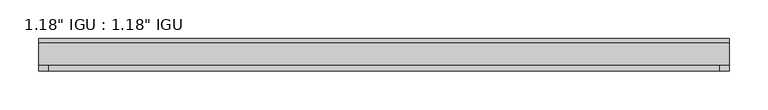
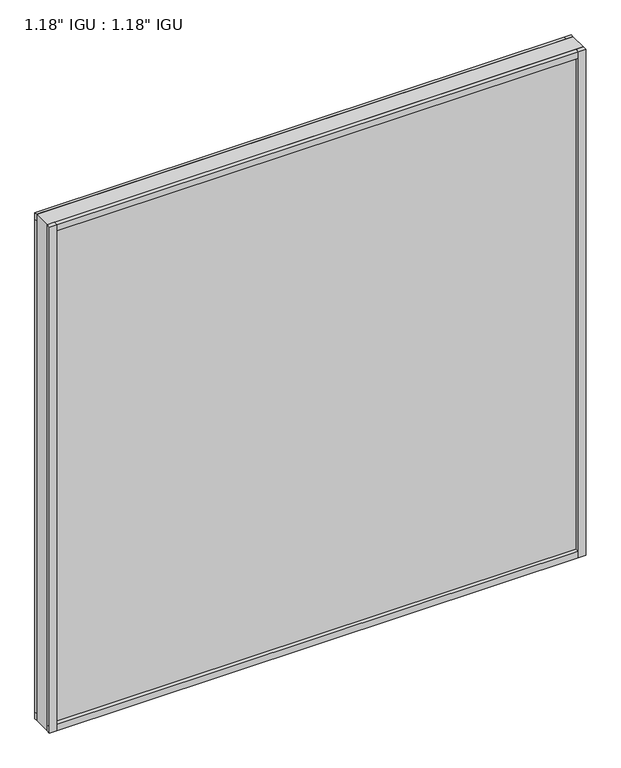
"""IFC4 building model written with IfcOpenShell, lengths in millimetres: plate geometry."""

from ifc_helpers import new_model, si_unit, frame, origin, origin_with_axes, place, context, project, spatial, polyline, outline, extrude, source, transform, mapped, element, save


def plate_e09bd393(model_context):
    return source(origin(), model_context, "Body", "SweptSolid", [
        extrude(outline(polyline([(444.51905, -9.7647125), (444.51905, -14.5399125), (-444.51905, -14.5399125), (-444.51905, -9.7647125), (444.51905, -9.7647125)])), origin_with_axes(), (0.0, 0.0, 1.0), 11.1252),
        extrude(outline(polyline([(-444.51905, -14.5399125), (-444.51905, -9.7647125), (444.51905, -9.7647125), (444.51905, -14.5399125), (-444.51905, -14.5399125)])), frame((0.0, 0.0, 874.7252), z_axis=(0.0, 0.0, 1.0), x_axis=(1.0, 0.0, 0.0)), (0.0, 0.0, 1.0), 11.1252),
        extrude(outline(polyline([(444.51905, -44.6643125), (444.51905, -51.3953125), (432.3813704, -51.3953125), (432.3813704, -44.6643125), (444.51905, -44.6643125)])), origin_with_axes(), (0.0, 0.0, 1.0), 885.8504),
        extrude(outline(polyline([(444.51905, -9.7765488), (444.51905, -14.5399125), (432.5066262, -14.5399125), (432.5066262, -9.7765488), (444.51905, -9.7765488)])), origin_with_axes(), (0.0, 0.0, 1.0), 885.8504),
        extrude(outline(polyline([(-432.4984729, -51.3953125), (-444.51905, -51.3953125), (-444.51905, -44.6643125), (-432.4984729, -44.6643125), (-432.4984729, -51.3953125)])), origin_with_axes(), (0.0, 0.0, 1.0), 885.8504),
        extrude(outline(polyline([(-432.4984729, -14.5399125), (-444.51905, -14.5399125), (-444.51905, -9.7647125), (-432.4984729, -9.7647125), (-432.4984729, -14.5399125)])), origin_with_axes(), (0.0, 0.0, 1.0), 885.8504),
        extrude(outline(polyline([(444.51905, -44.6643125), (444.51905, -51.3953125), (-444.51905, -51.3953125), (-444.51905, -44.6643125), (444.51905, -44.6643125)])), origin_with_axes(), (0.0, 0.0, 1.0), 11.1693096),
        extrude(outline(polyline([(444.51905, -44.6643125), (444.51905, -51.3953125), (-444.51905, -51.3953125), (-444.51905, -44.6643125), (444.51905, -44.6643125)])), frame((0.0, 0.0, 874.6692942), z_axis=(0.0, 0.0, 1.0), x_axis=(1.0, 0.0, 0.0)), (0.0, 0.0, 1.0), 11.1811058),
        extrude(outline(polyline([(444.51905, -44.6643125), (-444.51905, -44.6643125), (-444.51905, -14.5399125), (444.51905, -14.5399125), (444.51905, -44.6643125)])), origin_with_axes(), (0.0, 0.0, 1.0), 885.8504),
    ])


if __name__ == "__main__":
    model = new_model("IFC4")
    model_context = context("Model", 3, world=origin())
    ifc_project = project(units=[si_unit("LENGTHUNIT", "METRE", prefix="MILLI")], contexts=[model_context])
    site = spatial("IfcSite", under=ifc_project)
    building = spatial("IfcBuilding", under=site)
    placement = place(None, origin())
    plate_shape = plate_e09bd393(model_context)
    element("IfcPlate", 1, ObjectType="1.18\" IGU : 1.18\" IGU", at=placement, inside=building, context=model_context, shape_type="MappedRepresentation", body=[
        mapped(plate_shape, transform((0.0, 0.0, 0.0), x_axis=(1.0, 0.0, 0.0), y_axis=(0.0, 1.0, 0.0), z_axis=(0.0, 0.0, 1.0))),
    ])
    save(model, "model.ifc")
